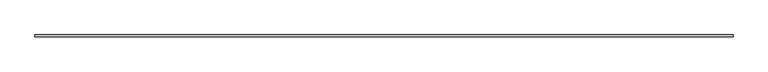
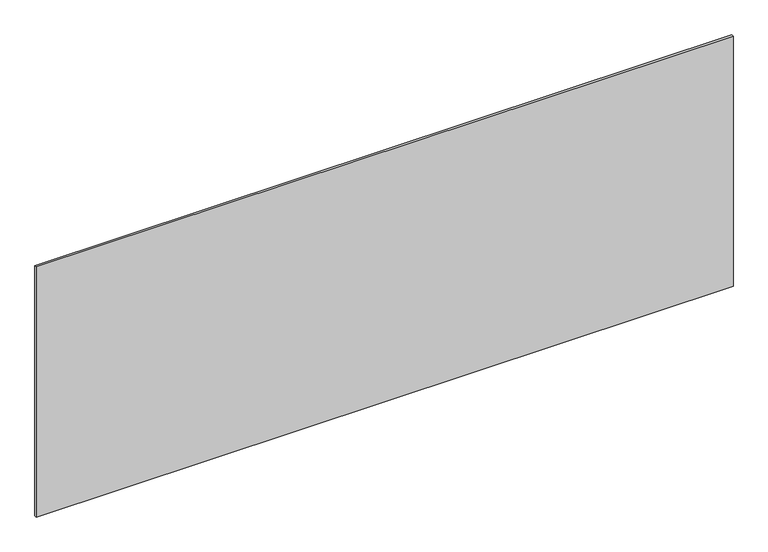
"""IFC4 building model written with IfcOpenShell, lengths in millimetres: plate geometry."""

from ifc_helpers import new_model, si_unit, origin, origin_with_axes, place, context, project, spatial, polyline, outline, extrude, source, transform, mapped, element, save


def plate_7050e114(model_context):
    return source(origin(), model_context, "Body", "SweptSolid", [
        extrude(outline(polyline([(1715.0, -5.0), (-1715.0, -5.0), (-1715.0, 5.0), (1715.0, 5.0), (1715.0, -5.0)])), origin_with_axes(), (0.0, 0.0, 1.0), 1301.6065399),
    ])


if __name__ == "__main__":
    model = new_model("IFC4")
    model_context = context("Model", 3, world=origin())
    ifc_project = project(units=[si_unit("LENGTHUNIT", "METRE", prefix="MILLI")], contexts=[model_context])
    site = spatial("IfcSite", under=ifc_project)
    building = spatial("IfcBuilding", under=site)
    placement = place(None, origin())
    plate_shape = plate_7050e114(model_context)
    element("IfcPlate", 1, at=placement, inside=building, context=model_context, shape_type="MappedRepresentation", body=[
        mapped(plate_shape, transform((0.0, 0.0, 0.0), x_axis=(1.0, 0.0, 0.0), y_axis=(0.0, 1.0, 0.0), z_axis=(0.0, 0.0, 1.0))),
    ])
    save(model, "model.ifc")
